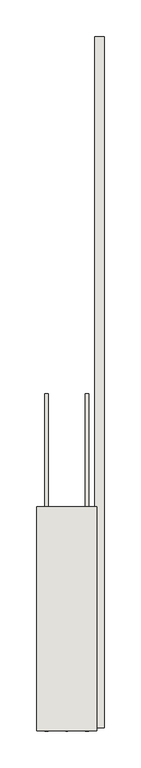
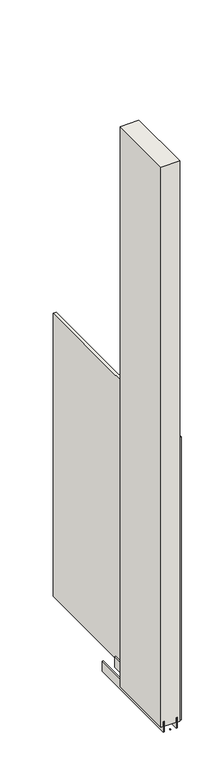
"""IFC4 building model written with IfcOpenShell, lengths in millimetres: wall geometry."""

from ifc_helpers import new_model, si_unit, frame, origin, place, context, project, spatial, polyline, outline, extrude, source, transform, mapped, element, save


def wall_52e83ba2(model_context):
    return source(origin(), model_context, "Body", "SweptSolid", [
        extrude(outline(polyline([(61876.342211, -46020.656371), (61876.342211, -46018.116371), (61878.882211, -46018.116371), (61878.882211, -46020.656371), (61876.342211, -46020.656371)])), frame((0.0, 0.0, 4419.6), z_axis=(0.0, 0.0, 1.0), x_axis=(1.0, 0.0, 0.0)), (0.0, 0.0, 1.0), 2.54),
        extrude(outline(polyline([(61928.412211, -45077.2145444), (61928.412211, -46016.1895524), (61915.712211, -46016.1895524), (61915.712211, -45077.2145444), (61928.412211, -45077.2145444)])), frame((0.0, 0.0, 4445.0), z_axis=(0.0, 0.0, 1.0), x_axis=(1.0, 0.0, 0.0)), (0.0, 0.0, 1.0), 1293.400004),
        extrude(outline(polyline([(61902.6959556, -46020.6607144), (61902.6959556, -45561.8608192), (61907.774711, -45561.8608192), (61907.774711, -46020.6607144), (61902.6959556, -46020.6607144)])), frame((0.0, 0.0, 4418.6602), z_axis=(0.0, 0.0, 1.0), x_axis=(1.0, 0.0, 0.0)), (0.0, 0.0, 1.0), 47.625),
        extrude(outline(polyline([(61902.6959556, -46020.6607144), (61902.6959556, -45561.8608192), (61907.774711, -45561.8608192), (61907.774711, -46020.6607144), (61902.6959556, -46020.6607144)])), frame((0.0, 0.0, 4418.6602), z_axis=(0.0, 0.0, 1.0), x_axis=(1.0, 0.0, 0.0)), (0.0, 0.0, 1.0), 47.625),
        extrude(outline(polyline([(61852.5284664, -45561.8608192), (61852.5284664, -46020.6607144), (61847.449711, -46020.6607144), (61847.449711, -45561.8608192), (61852.5284664, -45561.8608192)])), frame((0.0, 0.0, 4418.6602), z_axis=(0.0, 0.0, 1.0), x_axis=(1.0, 0.0, 0.0)), (0.0, 0.0, 1.0), 47.625),
        extrude(outline(polyline([(61852.5284664, -45561.8608192), (61852.5284664, -46020.6607144), (61847.449711, -46020.6607144), (61847.449711, -45561.8608192), (61852.5284664, -45561.8608192)])), frame((0.0, 0.0, 4418.6602), z_axis=(0.0, 0.0, 1.0), x_axis=(1.0, 0.0, 0.0)), (0.0, 0.0, 1.0), 47.625),
        extrude(outline(polyline([(61918.2670954, -46020.6607144), (61836.9573266, -46020.6607144), (61836.9573266, -45715.8607144), (61918.2670954, -45715.8607144), (61918.2670954, -46020.6607144)])), frame((0.0, 0.0, 4445.0), z_axis=(0.0, 0.0, 1.0), x_axis=(1.0, 0.0, 0.0)), (0.0, 0.0, 1.0), 2562.4536762),
    ])


if __name__ == "__main__":
    model = new_model("IFC4")
    model_context = context("Model", 3, world=origin())
    ifc_project = project(units=[si_unit("LENGTHUNIT", "METRE", prefix="MILLI")], contexts=[model_context])
    site = spatial("IfcSite", under=ifc_project)
    building = spatial("IfcBuilding", under=site)
    placement = place(None, origin())
    wall_shape = wall_52e83ba2(model_context)
    element("IfcWall", 1, at=placement, inside=building, context=model_context, shape_type="MappedRepresentation", body=[
        mapped(wall_shape, transform((0.0, 0.0, 0.0), x_axis=(1.0, 0.0, 0.0), y_axis=(0.0, 1.0, 0.0), z_axis=(0.0, 0.0, 1.0))),
    ])
    save(model, "model.ifc")
